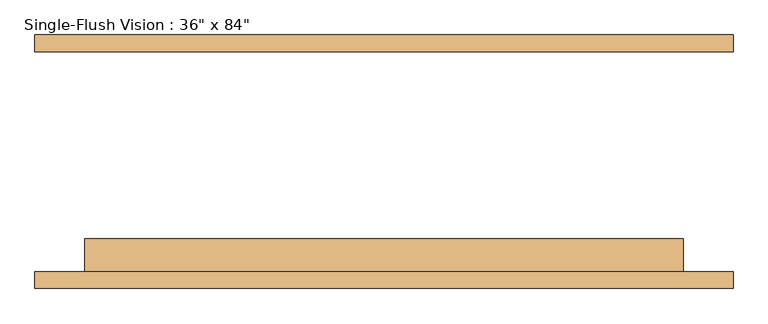
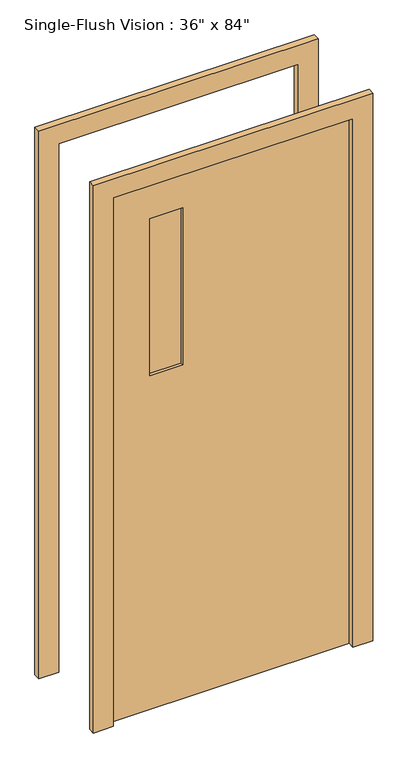
"""IFC4 building model written with IfcOpenShell, lengths in millimetres: door geometry."""

from ifc_helpers import new_model, si_unit, frame, origin, place, context, project, spatial, polyline, outline, extrude, source, transform, mapped, element, save


def door_802e2ead(model_context):
    return source(origin(), model_context, "Body", "SweptSolid", [
        extrude(outline(polyline([(2209.8, -533.4), (0.0, -533.4), (0.0, -457.2), (2133.6, -457.2), (2133.6, 457.2), (0.0, 457.2), (0.0, 533.4), (2209.8, 533.4), (2209.8, -533.4)])), frame((0.0, -193.675, 0.0), z_axis=(0.0, 1.0, 0.0), x_axis=(0.0, 0.0, 1.0)), (0.0, 0.0, 1.0), 25.4),
        extrude(outline(polyline([(2133.6, 457.2), (0.0, 457.2), (0.0, 533.4), (2209.8, 533.4), (2209.8, -533.4), (0.0, -533.4), (0.0, -457.2), (2133.6, -457.2), (2133.6, 457.2)])), frame((0.0, 168.275, 0.0), z_axis=(0.0, 1.0, 0.0), x_axis=(0.0, 0.0, 1.0)), (0.0, 0.0, 1.0), 25.4),
        extrude(outline(polyline([(-177.8, -130.175), (-177.8, -136.525), (-304.8, -136.525), (-304.8, -130.175), (-177.8, -130.175)])), frame((0.0, 0.0, 1346.2), z_axis=(0.0, 0.0, 1.0), x_axis=(1.0, 0.0, 0.0)), (0.0, 0.0, 1.0), 635.0),
        extrude(outline(polyline([(-177.8, -149.225), (-177.8, -155.575), (-304.8, -155.575), (-304.8, -149.225), (-177.8, -149.225)])), frame((0.0, 0.0, 1346.2), z_axis=(0.0, 0.0, 1.0), x_axis=(1.0, 0.0, 0.0)), (0.0, 0.0, 1.0), 635.0),
        extrude(outline(polyline([(2133.6, -457.2), (0.0, -457.2), (0.0, 457.2), (2133.6, 457.2), (2133.6, -457.2)]), holes=[polyline([(1981.2, -304.8), (1981.2, -177.8), (1346.2, -177.8), (1346.2, -304.8), (1981.2, -304.8)])]), frame((0.0, -168.275, 0.0), z_axis=(0.0, 1.0, 0.0), x_axis=(0.0, 0.0, 1.0)), (0.0, 0.0, 1.0), 50.8),
    ])


if __name__ == "__main__":
    model = new_model("IFC4")
    model_context = context("Model", 3, world=origin())
    ifc_project = project(units=[si_unit("LENGTHUNIT", "METRE", prefix="MILLI")], contexts=[model_context])
    site = spatial("IfcSite", under=ifc_project)
    building = spatial("IfcBuilding", under=site)
    placement = place(None, origin())
    door_shape = door_802e2ead(model_context)
    element("IfcDoor", 1, ObjectType="Single-Flush Vision : 36\" x 84\"", at=placement, inside=building, context=model_context, shape_type="MappedRepresentation", body=[
        mapped(door_shape, transform((0.0, 0.0, 0.0), x_axis=(1.0, 0.0, 0.0), y_axis=(0.0, 1.0, 0.0), z_axis=(0.0, 0.0, 1.0))),
    ])
    save(model, "model.ifc")
